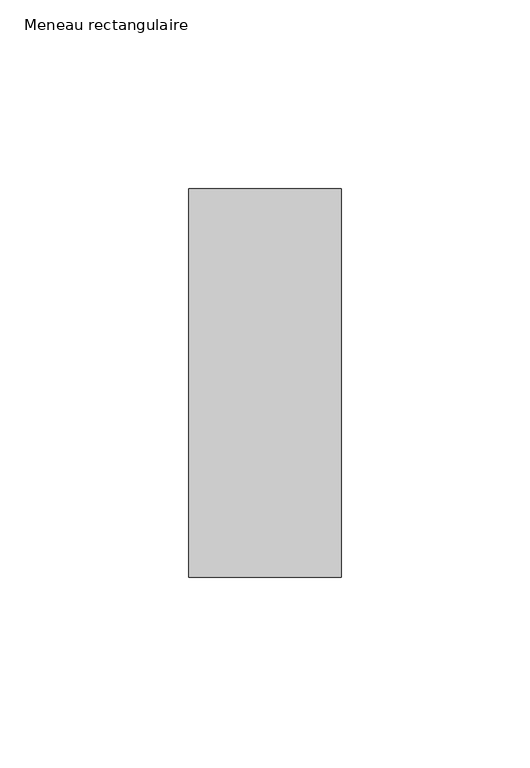
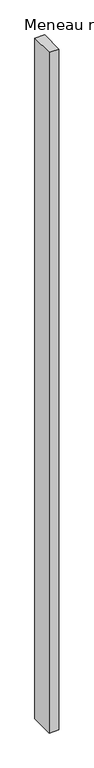
"""IFC4 building model written with IfcOpenShell, lengths in millimetres: member geometry, Meneau rectangulaire."""

from ifc_helpers import new_model, si_unit, frame, origin, place, context, project, spatial, polyline, outline, extrude, source, transform, mapped, element, save


def meneau_rectangulaire_b43f6a2a(model_context):
    return source(origin(), model_context, "Body", "SweptSolid", [
        extrude(outline(polyline([(0.0, 51.4988742), (0.0, -51.4925062), (-40.4444905, -51.4925062), (-40.4444905, 51.4988742), (0.0, 51.4988742)])), frame((0.0, 0.0, -3000.0), z_axis=(0.0, 0.0, 1.0), x_axis=(1.0, 0.0, 0.0)), (0.0, 0.0, 1.0), 3000.0),
    ])


if __name__ == "__main__":
    model = new_model("IFC4")
    model_context = context("Model", 3, world=origin())
    ifc_project = project(units=[si_unit("LENGTHUNIT", "METRE", prefix="MILLI")], contexts=[model_context])
    site = spatial("IfcSite", under=ifc_project)
    building = spatial("IfcBuilding", under=site)
    placement = place(None, origin())
    meneau_rectangulaire_shape = meneau_rectangulaire_b43f6a2a(model_context)
    element("IfcMember", 1, ObjectType="Meneau rectangulaire", at=placement, inside=building, context=model_context, shape_type="MappedRepresentation", body=[
        mapped(meneau_rectangulaire_shape, transform((0.0, 0.0, 0.0), x_axis=(1.0, 0.0, 0.0), y_axis=(0.0, 1.0, 0.0), z_axis=(0.0, 0.0, 1.0))),
    ])
    save(model, "model.ifc")
